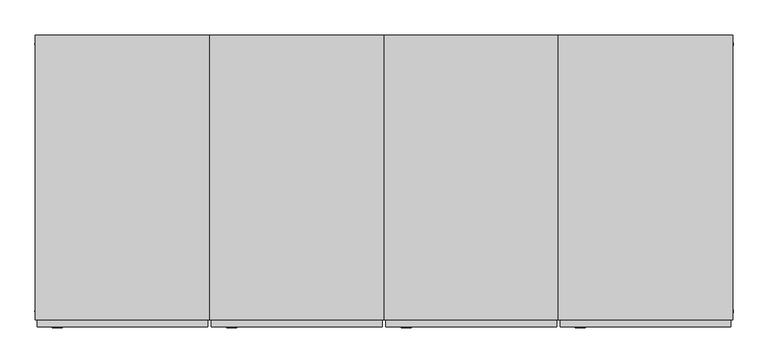
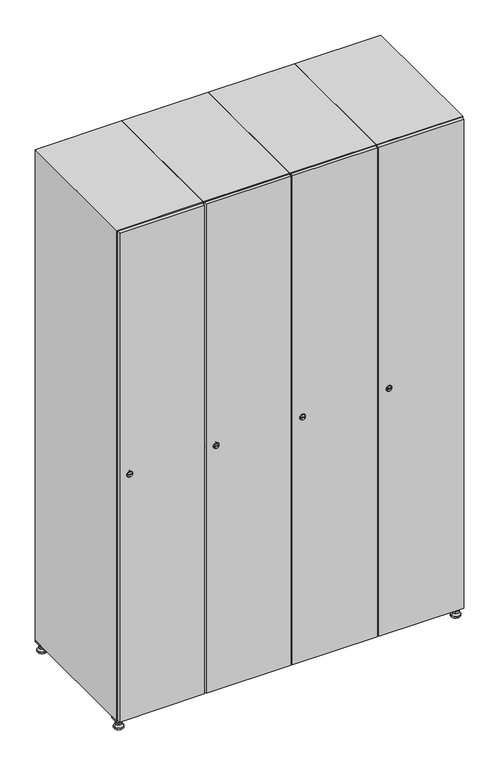
"""IFC4 building model written with IfcOpenShell, lengths in millimetres: furniture geometry."""

from ifc_helpers import new_model, si_unit, point, frame, frame_2d, origin, origin_with_axes, place, context, project, spatial, polyline, circle_curve, trimmed, segment, composite_curve, outline, extrude, faceted_brep, source, transform, mapped, element, save
from ifc_brep_helpers import plane_surface, revolved_surface, advanced_brep


def furniture_816aae50(model_context):
    return source(origin(), model_context, "Body", "SolidModel", [
        extrude(outline(polyline([(1000.0, 245.0), (1000.0, 215.0), (970.0, 215.0), (970.0, 245.0), (1000.0, 245.0)]), holes=[polyline([(998.0, 243.0), (972.0, 243.0), (972.0, 217.0), (998.0, 217.0), (998.0, 243.0)])]), frame((0.0, 0.0, 28.5), z_axis=(0.0, 0.0, 1.0), x_axis=(1.0, 0.0, 0.0)), (0.0, 0.0, 1.0), 6.5),
        extrude(outline(polyline([(970.0, -245.0), (970.0, -215.0), (1000.0, -215.0), (1000.0, -245.0), (970.0, -245.0)]), holes=[polyline([(972.0, -243.0), (998.0, -243.0), (998.0, -217.0), (972.0, -217.0), (972.0, -243.0)])]), frame((0.0, 0.0, 28.5), z_axis=(0.0, 0.0, 1.0), x_axis=(1.0, 0.0, 0.0)), (0.0, 0.0, 1.0), 6.5),
        extrude(outline(polyline([(-170.0, 245.0), (-170.0, 215.0), (-200.0, 215.0), (-200.0, 245.0), (-170.0, 245.0)]), holes=[polyline([(-172.0, 243.0), (-198.0, 243.0), (-198.0, 217.0), (-172.0, 217.0), (-172.0, 243.0)])]), frame((0.0, 0.0, 28.5), z_axis=(0.0, 0.0, 1.0), x_axis=(1.0, 0.0, 0.0)), (0.0, 0.0, 1.0), 6.5),
        extrude(outline(polyline([(-170.0, -215.0), (-170.0, -245.0), (-200.0, -245.0), (-200.0, -215.0), (-170.0, -215.0)]), holes=[polyline([(-198.0, -243.0), (-172.0, -243.0), (-172.0, -217.0), (-198.0, -217.0), (-198.0, -243.0)])]), frame((0.0, 0.0, 28.5), z_axis=(0.0, 0.0, 1.0), x_axis=(1.0, 0.0, 0.0)), (0.0, 0.0, 1.0), 6.5),
        extrude(outline(composite_curve([segment(trimmed(circle_curve(frame_2d((-185.0, 230.0)), 5.0), [point((-180.0, 230.0))], [point((-190.0, 230.0))], False, "CARTESIAN"), True, "CONTINUOUS"), segment(trimmed(circle_curve(frame_2d((-185.0, 230.0)), 5.0), [point((-190.0, 230.0))], [point((-180.0, 230.0))], False, "CARTESIAN"), True, "CONTINUOUS")], self_intersect=False)), frame((0.0, 0.0, 19.6), z_axis=(0.0, 0.0, 1.0), x_axis=(1.0, 0.0, 0.0)), (0.0, 0.0, 1.0), 15.4),
        extrude(outline(composite_curve([segment(trimmed(circle_curve(frame_2d((-185.0, -230.0)), 5.0), [point((-180.0, -230.0))], [point((-190.0, -230.0))], False, "CARTESIAN"), True, "CONTINUOUS"), segment(trimmed(circle_curve(frame_2d((-185.0, -230.0)), 5.0), [point((-190.0, -230.0))], [point((-180.0, -230.0))], False, "CARTESIAN"), True, "CONTINUOUS")], self_intersect=False)), frame((0.0, 0.0, 19.6), z_axis=(0.0, 0.0, 1.0), x_axis=(1.0, 0.0, 0.0)), (0.0, 0.0, 1.0), 15.4),
        extrude(outline(composite_curve([segment(trimmed(circle_curve(frame_2d((985.0, 230.0)), 5.0), [point((990.0, 230.0))], [point((980.0, 230.0))], False, "CARTESIAN"), True, "CONTINUOUS"), segment(trimmed(circle_curve(frame_2d((985.0, 230.0)), 5.0), [point((980.0, 230.0))], [point((990.0, 230.0))], False, "CARTESIAN"), True, "CONTINUOUS")], self_intersect=False)), frame((0.0, 0.0, 19.6), z_axis=(0.0, 0.0, 1.0), x_axis=(1.0, 0.0, 0.0)), (0.0, 0.0, 1.0), 15.4),
        extrude(outline(polyline([(973.4529946, 230.0), (979.2264973, 240.0), (990.7735027, 240.0), (996.5470054, 230.0), (990.7735027, 220.0), (979.2264973, 220.0), (973.4529946, 230.0)])), frame((0.0, 0.0, 13.6), z_axis=(0.0, 0.0, 1.0), x_axis=(1.0, 0.0, 0.0)), (0.0, 0.0, 1.0), 6.0),
        extrude(outline(composite_curve([segment(trimmed(circle_curve(frame_2d((985.0, -230.0)), 5.0), [point((990.0, -230.0))], [point((980.0, -230.0))], False, "CARTESIAN"), True, "CONTINUOUS"), segment(trimmed(circle_curve(frame_2d((985.0, -230.0)), 5.0), [point((980.0, -230.0))], [point((990.0, -230.0))], False, "CARTESIAN"), True, "CONTINUOUS")], self_intersect=False)), frame((0.0, 0.0, 19.6), z_axis=(0.0, 0.0, 1.0), x_axis=(1.0, 0.0, 0.0)), (0.0, 0.0, 1.0), 15.4),
        extrude(outline(polyline([(973.4529946, -230.0), (979.2264973, -220.0), (990.7735027, -220.0), (996.5470054, -230.0), (990.7735027, -240.0), (979.2264973, -240.0), (973.4529946, -230.0)])), frame((0.0, 0.0, 13.6), z_axis=(0.0, 0.0, 1.0), x_axis=(1.0, 0.0, 0.0)), (0.0, 0.0, 1.0), 6.0),
        extrude(outline(composite_curve([segment(trimmed(circle_curve(frame_2d((985.0, 230.0)), 5.0), [point((990.0, 230.0))], [point((980.0, 230.0))], False, "CARTESIAN"), True, "CONTINUOUS"), segment(trimmed(circle_curve(frame_2d((985.0, 230.0)), 5.0), [point((980.0, 230.0))], [point((990.0, 230.0))], False, "CARTESIAN"), True, "CONTINUOUS")], self_intersect=False)), frame((0.0, 0.0, 12.1), z_axis=(0.0, 0.0, 1.0), x_axis=(1.0, 0.0, 0.0)), (0.0, 0.0, 1.0), 1.5),
        extrude(outline(composite_curve([segment(trimmed(circle_curve(frame_2d((985.0, -230.0)), 5.0), [point((990.0, -230.0))], [point((980.0, -230.0))], False, "CARTESIAN"), True, "CONTINUOUS"), segment(trimmed(circle_curve(frame_2d((985.0, -230.0)), 5.0), [point((980.0, -230.0))], [point((990.0, -230.0))], False, "CARTESIAN"), True, "CONTINUOUS")], self_intersect=False)), frame((0.0, 0.0, 12.1), z_axis=(0.0, 0.0, 1.0), x_axis=(1.0, 0.0, 0.0)), (0.0, 0.0, 1.0), 1.5),
        extrude(outline(polyline([(-196.5470054, 230.0), (-190.7735027, 240.0), (-179.2264973, 240.0), (-173.4529946, 230.0), (-179.2264973, 220.0), (-190.7735027, 220.0), (-196.5470054, 230.0)])), frame((0.0, 0.0, 13.6), z_axis=(0.0, 0.0, 1.0), x_axis=(1.0, 0.0, 0.0)), (0.0, 0.0, 1.0), 6.0),
        extrude(outline(polyline([(-196.5470054, -230.0), (-190.7735027, -220.0), (-179.2264973, -220.0), (-173.4529946, -230.0), (-179.2264973, -240.0), (-190.7735027, -240.0), (-196.5470054, -230.0)])), frame((0.0, 0.0, 13.6), z_axis=(0.0, 0.0, 1.0), x_axis=(1.0, 0.0, 0.0)), (0.0, 0.0, 1.0), 6.0),
        extrude(outline(composite_curve([segment(trimmed(circle_curve(frame_2d((-185.0, 230.0)), 5.0), [point((-185.0, 235.0))], [point((-185.0, 225.0))], False, "CARTESIAN"), True, "CONTINUOUS"), segment(trimmed(circle_curve(frame_2d((-185.0, 230.0)), 5.0), [point((-185.0, 225.0))], [point((-185.0, 235.0))], False, "CARTESIAN"), True, "CONTINUOUS")], self_intersect=False)), frame((0.0, 0.0, 12.1), z_axis=(0.0, 0.0, 1.0), x_axis=(1.0, 0.0, 0.0)), (0.0, 0.0, 1.0), 1.5),
        extrude(outline(composite_curve([segment(trimmed(circle_curve(frame_2d((-185.0, -230.0)), 5.0), [point((-180.0, -230.0))], [point((-190.0, -230.0))], False, "CARTESIAN"), True, "CONTINUOUS"), segment(trimmed(circle_curve(frame_2d((-185.0, -230.0)), 5.0), [point((-190.0, -230.0))], [point((-180.0, -230.0))], False, "CARTESIAN"), True, "CONTINUOUS")], self_intersect=False)), frame((0.0, 0.0, 12.1), z_axis=(0.0, 0.0, 1.0), x_axis=(1.0, 0.0, 0.0)), (0.0, 0.0, 1.0), 1.5),
        extrude(outline(composite_curve([segment(trimmed(circle_curve(frame_2d((985.0, 230.0)), 15.75), [point((1000.75, 230.0))], [point((969.25, 230.0))], False, "CARTESIAN"), True, "CONTINUOUS"), segment(trimmed(circle_curve(frame_2d((985.0, 230.0)), 15.75), [point((969.25, 230.0))], [point((1000.75, 230.0))], False, "CARTESIAN"), True, "CONTINUOUS")], self_intersect=False)), origin_with_axes(), (0.0, 0.0, 1.0), 5.1),
        extrude(outline(composite_curve([segment(trimmed(circle_curve(frame_2d((985.0, -230.0)), 15.75), [point((985.0, -214.25))], [point((985.0, -245.75))], False, "CARTESIAN"), True, "CONTINUOUS"), segment(trimmed(circle_curve(frame_2d((985.0, -230.0)), 15.75), [point((985.0, -245.75))], [point((985.0, -214.25))], False, "CARTESIAN"), True, "CONTINUOUS")], self_intersect=False)), origin_with_axes(), (0.0, 0.0, 1.0), 5.1),
        extrude(outline(composite_curve([segment(trimmed(circle_curve(frame_2d((-185.0, -230.0)), 15.75), [point((-169.25, -230.0))], [point((-200.75, -230.0))], False, "CARTESIAN"), True, "CONTINUOUS"), segment(trimmed(circle_curve(frame_2d((-185.0, -230.0)), 15.75), [point((-200.75, -230.0))], [point((-169.25, -230.0))], False, "CARTESIAN"), True, "CONTINUOUS")], self_intersect=False)), origin_with_axes(), (0.0, 0.0, 1.0), 5.1),
        extrude(outline(composite_curve([segment(trimmed(circle_curve(frame_2d((-185.0, 230.0)), 15.75), [point((-169.25, 230.0))], [point((-200.75, 230.0))], False, "CARTESIAN"), True, "CONTINUOUS"), segment(trimmed(circle_curve(frame_2d((-185.0, 230.0)), 15.75), [point((-200.75, 230.0))], [point((-169.25, 230.0))], False, "CARTESIAN"), True, "CONTINUOUS")], self_intersect=False)), origin_with_axes(), (0.0, 0.0, 1.0), 5.1),
        advanced_brep(
        [(-185.0, 239.5, 12.1), (-185.0, 220.5, 12.1), (-185.0, 214.25, 5.1), (-185.0, 245.75, 5.1)],
        [
            (0, 1, circle_curve(frame((-185.0, 230.0, 12.1), z_axis=(0.0, 0.0, -1.0), x_axis=(0.0, 1.0, 0.0)), 9.5)),
            (1, 2),
            (2, 3, circle_curve(frame((-185.0, 230.0, 5.1), z_axis=(0.0, 0.0, 1.0), x_axis=(0.0, 1.0, 0.0)), 15.75)),
            (3, 0),
            (1, 0, circle_curve(frame((-185.0, 230.0, 12.1), z_axis=(0.0, 0.0, -1.0), x_axis=(0.0, -1.0, 0.0)), 9.5)),
            (3, 2, circle_curve(frame((-185.0, 230.0, 5.1), z_axis=(0.0, 0.0, 1.0), x_axis=(0.0, -1.0, 0.0)), 15.75)),
        ],
        [
            revolved_surface(polyline([(-185.0, 220.5, 12.099999999999998), (-185.0, 214.25, 5.099999999999998)]), (-185.0, 230.0, 22.74), (0.0, 0.0, -1.0)),
            revolved_surface(polyline([(-185.0, 239.5, 12.099999999999998), (-185.0, 245.75, 5.099999999999998)]), (-185.0, 230.0, 22.74), (0.0, 0.0, -1.0)),
            plane_surface(frame((-185.0, 230.0, 5.1), z_axis=(0.0, 0.0, -1.0), x_axis=(1.0, 0.0, 0.0))),
            plane_surface(frame((-185.0, 230.0, 12.1), z_axis=(0.0, 0.0, 1.0), x_axis=(1.0, 0.0, 0.0))),
        ],
        [
            (0, [[1, 2, 3, 4]]),
            (1, [[5, -4, 6, -2]]),
            (2, [[-3, -6]]),
            (3, [[-5, -1]]),
        ],
    ),
        advanced_brep(
        [(985.0, 239.5, 12.1), (985.0, 220.5, 12.1), (985.0, 214.25, 5.1), (985.0, 245.75, 5.1)],
        [
            (0, 1, circle_curve(frame((985.0, 230.0, 12.1), z_axis=(0.0, 0.0, -1.0), x_axis=(0.0, 1.0, 0.0)), 9.5)),
            (1, 2),
            (2, 3, circle_curve(frame((985.0, 230.0, 5.1), z_axis=(0.0, 0.0, 1.0), x_axis=(0.0, 1.0, 0.0)), 15.75)),
            (3, 0),
            (1, 0, circle_curve(frame((985.0, 230.0, 12.1), z_axis=(0.0, 0.0, -1.0), x_axis=(0.0, -1.0, 0.0)), 9.5)),
            (3, 2, circle_curve(frame((985.0, 230.0, 5.1), z_axis=(0.0, 0.0, 1.0), x_axis=(0.0, -1.0, 0.0)), 15.75)),
        ],
        [
            revolved_surface(polyline([(985.0, 220.5, 12.099999999999998), (985.0, 214.25, 5.099999999999998)]), (985.0, 230.0, 22.74), (0.0, 0.0, -1.0)),
            revolved_surface(polyline([(985.0, 239.5, 12.099999999999998), (985.0, 245.75, 5.099999999999998)]), (985.0, 230.0, 22.74), (0.0, 0.0, -1.0)),
            plane_surface(frame((985.0, 230.0, 5.1), z_axis=(0.0, 0.0, -1.0), x_axis=(1.0, 0.0, 0.0))),
            plane_surface(frame((985.0, 230.0, 12.1), z_axis=(0.0, 0.0, 1.0), x_axis=(1.0, 0.0, 0.0))),
        ],
        [
            (0, [[1, 2, 3, 4]]),
            (1, [[5, -4, 6, -2]]),
            (2, [[-3, -6]]),
            (3, [[-5, -1]]),
        ],
    ),
        advanced_brep(
        [(1000.75, -230.0, 5.1), (969.25, -230.0, 5.1), (975.5, -230.0, 12.1), (994.5, -230.0, 12.1)],
        [
            (0, 1, circle_curve(frame((985.0, -230.0, 5.1), z_axis=(0.0, 0.0, 1.0), x_axis=(1.0, 0.0, 0.0)), 15.75)),
            (1, 2),
            (2, 3, circle_curve(frame((985.0, -230.0, 12.1), z_axis=(0.0, 0.0, -1.0), x_axis=(1.0, 0.0, 0.0)), 9.5)),
            (3, 0),
            (1, 0, circle_curve(frame((985.0, -230.0, 5.1), z_axis=(0.0, 0.0, 1.0), x_axis=(-1.0, 0.0, 0.0)), 15.75)),
            (3, 2, circle_curve(frame((985.0, -230.0, 12.1), z_axis=(0.0, 0.0, -1.0), x_axis=(-1.0, 0.0, 0.0)), 9.5)),
        ],
        [
            revolved_surface(polyline([(994.5, -230.0, 12.099999999999998), (1000.75, -230.0, 5.099999999999998)]), (985.0, -230.0, 22.74), (0.0, 0.0, -1.0)),
            revolved_surface(polyline([(975.5, -230.0, 12.099999999999998), (969.25, -230.0, 5.099999999999998)]), (985.0, -230.0, 22.74), (0.0, 0.0, -1.0)),
            plane_surface(frame((985.0, -230.0, 12.1), z_axis=(0.0, 0.0, 1.0), x_axis=(0.0, 1.0, 0.0))),
            plane_surface(frame((985.0, -230.0, 5.1), z_axis=(0.0, 0.0, -1.0), x_axis=(0.0, 1.0, 0.0))),
        ],
        [
            (0, [[1, 2, 3, 4]]),
            (1, [[5, -4, 6, -2]]),
            (2, [[-3, -6]]),
            (3, [[-5, -1]]),
        ],
    ),
        advanced_brep(
        [(-169.25, -230.0, 5.1), (-200.75, -230.0, 5.1), (-194.5, -230.0, 12.1), (-175.5, -230.0, 12.1)],
        [
            (0, 1, circle_curve(frame((-185.0, -230.0, 5.1), z_axis=(0.0, 0.0, 1.0), x_axis=(1.0, 0.0, 0.0)), 15.75)),
            (1, 2),
            (2, 3, circle_curve(frame((-185.0, -230.0, 12.1), z_axis=(0.0, 0.0, -1.0), x_axis=(1.0, 0.0, 0.0)), 9.5)),
            (3, 0),
            (1, 0, circle_curve(frame((-185.0, -230.0, 5.1), z_axis=(0.0, 0.0, 1.0), x_axis=(-1.0, 0.0, 0.0)), 15.75)),
            (3, 2, circle_curve(frame((-185.0, -230.0, 12.1), z_axis=(0.0, 0.0, -1.0), x_axis=(-1.0, 0.0, 0.0)), 9.5)),
        ],
        [
            revolved_surface(polyline([(-175.5, -230.0, 12.099999999999998), (-169.25, -230.0, 5.099999999999998)]), (-185.0, -230.0, 22.74), (0.0, 0.0, -1.0)),
            revolved_surface(polyline([(-194.5, -230.0, 12.099999999999998), (-200.75, -230.0, 5.099999999999998)]), (-185.0, -230.0, 22.74), (0.0, 0.0, -1.0)),
            plane_surface(frame((-185.0, -230.0, 12.1), z_axis=(0.0, 0.0, 1.0), x_axis=(0.0, 1.0, 0.0))),
            plane_surface(frame((-185.0, -230.0, 5.1), z_axis=(0.0, 0.0, -1.0), x_axis=(0.0, 1.0, 0.0))),
        ],
        [
            (0, [[1, 2, 3, 4]]),
            (1, [[5, -4, 6, -2]]),
            (2, [[-3, -6]]),
            (3, [[-5, -1]]),
        ],
    ),
        extrude(outline(composite_curve([segment(trimmed(circle_curve(frame_2d((935.0, 711.2010534)), 7.0), [point((942.0, 711.2010534))], [point((928.0, 711.2010534))], False, "CARTESIAN"), True, "CONTINUOUS"), segment(polyline([(928.0, 711.2010534), (928.0, 739.2010534)]), True, "CONTINUOUS"), segment(trimmed(circle_curve(frame_2d((935.0, 739.2010534)), 7.0), [point((928.0, 739.2010534))], [point((942.0, 739.2010534))], False, "CARTESIAN"), True, "CONTINUOUS"), segment(polyline([(942.0, 739.2010534), (942.0, 711.2010534)]), True, "CONTINUOUS")], self_intersect=False)), frame((0.0, -245.0, 0.0), z_axis=(0.0, 1.0, 0.0), x_axis=(0.0, 0.0, 1.0)), (0.0, 0.0, 1.0), 2.0),
        advanced_brep(
        [(746.5, -259.2, 935.0), (729.5, -259.2, 935.0), (733.0, -259.2, 933.75), (733.0, -259.2, 936.25), (743.0, -259.2, 936.25), (743.0, -259.2, 933.75), (748.5, -257.0, 935.0), (727.5, -257.0, 935.0), (733.0, -257.0, 936.25), (733.0, -257.0, 933.75), (743.0, -257.0, 933.75), (743.0, -257.0, 936.25)],
        [
            (0, 1, circle_curve(frame((738.0, -259.2, 935.0), z_axis=(0.0, -1.0, 0.0), x_axis=(1.0, 0.0, 0.0)), 8.5)),
            (1, 0, circle_curve(frame((738.0, -259.2, 935.0), z_axis=(0.0, -1.0, 0.0), x_axis=(-1.0, 0.0, 0.0)), 8.5)),
            (2, 3),
            (3, 4),
            (4, 5),
            (5, 2),
            (6, 7, circle_curve(frame((738.0, -257.0, 935.0), z_axis=(0.0, 1.0, 0.0), x_axis=(-1.0, 0.0, 0.0)), 10.5)),
            (7, 6, circle_curve(frame((738.0, -257.0, 935.0), z_axis=(0.0, 1.0, 0.0), x_axis=(1.0, 0.0, 0.0)), 10.5)),
            (8, 9),
            (9, 10),
            (10, 11),
            (11, 8),
            (0, 6),
            (7, 1),
            (8, 3),
            (2, 9),
            (11, 4),
            (10, 5),
        ],
        [
            plane_surface(frame((738.0, -259.2, 935.0), z_axis=(0.0, -1.0, 0.0), x_axis=(0.0, 0.0, 1.0))),
            plane_surface(frame((738.0, -257.0, 935.0), z_axis=(0.0, 1.0, 0.0), x_axis=(0.0, 0.0, 1.0))),
            revolved_surface(polyline([(746.5, -259.2, 935.0), (748.5, -257.0, 935.0)]), (738.0, -268.55, 935.0), (0.0, 1.0, 0.0)),
            revolved_surface(polyline([(729.5, -259.2, 935.0), (727.5, -257.0, 935.0)]), (738.0, -268.55, 935.0), (0.0, 1.0, 0.0)),
            plane_surface(frame((733.0, -257.0, 933.75), z_axis=(1.0, 0.0, 0.0), x_axis=(0.0, -1.0, 0.0))),
            plane_surface(frame((733.0, -257.0, 936.25), z_axis=(0.0, 0.0, -1.0), x_axis=(0.0, -1.0, 0.0))),
            plane_surface(frame((743.0, -257.0, 936.25), z_axis=(-1.0, 0.0, 0.0), x_axis=(0.0, -1.0, 0.0))),
            plane_surface(frame((743.0, -257.0, 933.75), z_axis=(0.0, 0.0, 1.0), x_axis=(0.0, -1.0, 0.0))),
        ],
        [
            (0, [[1, 2], [3, 4, 5, 6]]),
            (1, [[7, 8], [9, 10, 11, 12]]),
            (2, [[-1, 13, -8, 14]]),
            (3, [[-2, -14, -7, -13]]),
            (4, [[15, -3, 16, -9]]),
            (5, [[-15, -12, 17, -4]]),
            (6, [[-17, -11, 18, -5]]),
            (7, [[-16, -6, -18, -10]]),
        ],
    ),
        extrude(outline(polyline([(997.0, -245.0), (997.0, -257.0), (703.0, -257.0), (703.0, -245.0), (997.0, -245.0)])), frame((0.0, 0.0, 38.0), z_axis=(0.0, 0.0, 1.0), x_axis=(1.0, 0.0, 0.0)), (0.0, 0.0, 1.0), 1794.0),
        faceted_brep([(1000.0, -245.0, 35.0), (1000.0, -245.0, 1835.0), (700.0, -245.0, 1835.0), (700.0, -245.0, 35.0), (979.6, -245.0, 1804.8), (979.6, -245.0, 65.2), (720.4, -245.0, 65.2), (720.4, -245.0, 1804.8), (1000.0, 245.0, 35.0), (700.0, 245.0, 35.0), (1000.0, 245.0, 1835.0), (700.0, 245.0, 1835.0), (979.6, 242.0, 1804.8), (979.6, 242.0, 65.2), (700.0, 245.0, 1804.8), (720.4, 242.0, 1804.8), (720.4, 242.0, 65.2)], [[[0, 1, 2, 3], [4, 5, 6, 7]], [[8, 0, 3, 9]], [[1, 0, 8, 10]], [[1, 10, 11, 2]], [[4, 12, 13, 5]], [[9, 3, 2, 11, 14]], [[10, 8, 9, 14, 11]], [[12, 15, 16, 13]], [[15, 7, 6, 16]], [[4, 7, 15, 12]], [[6, 5, 13, 16]]]),
        extrude(outline(composite_curve([segment(trimmed(circle_curve(frame_2d((935.0, 411.2010534)), 7.0), [point((942.0, 411.2010534))], [point((928.0, 411.2010534))], False, "CARTESIAN"), True, "CONTINUOUS"), segment(polyline([(928.0, 411.2010534), (928.0, 439.2010534)]), True, "CONTINUOUS"), segment(trimmed(circle_curve(frame_2d((935.0, 439.2010534)), 7.0), [point((928.0, 439.2010534))], [point((942.0, 439.2010534))], False, "CARTESIAN"), True, "CONTINUOUS"), segment(polyline([(942.0, 439.2010534), (942.0, 411.2010534)]), True, "CONTINUOUS")], self_intersect=False)), frame((0.0, -245.0, 0.0), z_axis=(0.0, 1.0, 0.0), x_axis=(0.0, 0.0, 1.0)), (0.0, 0.0, 1.0), 2.0),
        advanced_brep(
        [(446.5, -259.2, 935.0), (429.5, -259.2, 935.0), (433.0, -259.2, 933.75), (433.0, -259.2, 936.25), (443.0, -259.2, 936.25), (443.0, -259.2, 933.75), (448.5, -257.0, 935.0), (427.5, -257.0, 935.0), (433.0, -257.0, 936.25), (433.0, -257.0, 933.75), (443.0, -257.0, 933.75), (443.0, -257.0, 936.25)],
        [
            (0, 1, circle_curve(frame((438.0, -259.2, 935.0), z_axis=(0.0, -1.0, 0.0), x_axis=(1.0, 0.0, 0.0)), 8.5)),
            (1, 0, circle_curve(frame((438.0, -259.2, 935.0), z_axis=(0.0, -1.0, 0.0), x_axis=(-1.0, 0.0, 0.0)), 8.5)),
            (2, 3),
            (3, 4),
            (4, 5),
            (5, 2),
            (6, 7, circle_curve(frame((438.0, -257.0, 935.0), z_axis=(0.0, 1.0, 0.0), x_axis=(-1.0, 0.0, 0.0)), 10.5)),
            (7, 6, circle_curve(frame((438.0, -257.0, 935.0), z_axis=(0.0, 1.0, 0.0), x_axis=(1.0, 0.0, 0.0)), 10.5)),
            (8, 9),
            (9, 10),
            (10, 11),
            (11, 8),
            (0, 6),
            (7, 1),
            (8, 3),
            (2, 9),
            (11, 4),
            (10, 5),
        ],
        [
            plane_surface(frame((438.0, -259.2, 935.0), z_axis=(0.0, -1.0, 0.0), x_axis=(0.0, 0.0, 1.0))),
            plane_surface(frame((438.0, -257.0, 935.0), z_axis=(0.0, 1.0, 0.0), x_axis=(0.0, 0.0, 1.0))),
            revolved_surface(polyline([(446.5, -259.2, 935.0), (448.5, -257.0, 935.0)]), (438.0, -268.55, 935.0), (0.0, 1.0, 0.0)),
            revolved_surface(polyline([(429.5, -259.2, 935.0), (427.5, -257.0, 935.0)]), (438.0, -268.55, 935.0), (0.0, 1.0, 0.0)),
            plane_surface(frame((433.0, -257.0, 933.75), z_axis=(1.0, 0.0, 0.0), x_axis=(0.0, -1.0, 0.0))),
            plane_surface(frame((433.0, -257.0, 936.25), z_axis=(0.0, 0.0, -1.0), x_axis=(0.0, -1.0, 0.0))),
            plane_surface(frame((443.0, -257.0, 936.25), z_axis=(-1.0, 0.0, 0.0), x_axis=(0.0, -1.0, 0.0))),
            plane_surface(frame((443.0, -257.0, 933.75), z_axis=(0.0, 0.0, 1.0), x_axis=(0.0, -1.0, 0.0))),
        ],
        [
            (0, [[1, 2], [3, 4, 5, 6]]),
            (1, [[7, 8], [9, 10, 11, 12]]),
            (2, [[-1, 13, -8, 14]]),
            (3, [[-2, -14, -7, -13]]),
            (4, [[15, -3, 16, -9]]),
            (5, [[-15, -12, 17, -4]]),
            (6, [[-17, -11, 18, -5]]),
            (7, [[-16, -6, -18, -10]]),
        ],
    ),
        extrude(outline(polyline([(697.0, -245.0), (697.0, -257.0), (403.0, -257.0), (403.0, -245.0), (697.0, -245.0)])), frame((0.0, 0.0, 38.0), z_axis=(0.0, 0.0, 1.0), x_axis=(1.0, 0.0, 0.0)), (0.0, 0.0, 1.0), 1794.0),
        faceted_brep([(700.0, -245.0, 35.0), (700.0, -245.0, 1835.0), (400.0, -245.0, 1835.0), (400.0, -245.0, 35.0), (679.6, -245.0, 1804.8), (679.6, -245.0, 65.2), (420.4, -245.0, 65.2), (420.4, -245.0, 1804.8), (700.0, 245.0, 35.0), (400.0, 245.0, 35.0), (700.0, 245.0, 1835.0), (400.0, 245.0, 1835.0), (679.6, 242.0, 1804.8), (679.6, 242.0, 65.2), (400.0, 245.0, 1804.8), (420.4, 242.0, 1804.8), (420.4, 242.0, 65.2)], [[[0, 1, 2, 3], [4, 5, 6, 7]], [[8, 0, 3, 9]], [[1, 0, 8, 10]], [[1, 10, 11, 2]], [[4, 12, 13, 5]], [[9, 3, 2, 11, 14]], [[10, 8, 9, 14, 11]], [[12, 15, 16, 13]], [[15, 7, 6, 16]], [[4, 7, 15, 12]], [[6, 5, 13, 16]]]),
        extrude(outline(composite_curve([segment(trimmed(circle_curve(frame_2d((935.0, 111.2010534)), 7.0), [point((942.0, 111.2010534))], [point((928.0, 111.2010534))], False, "CARTESIAN"), True, "CONTINUOUS"), segment(polyline([(928.0, 111.2010534), (928.0, 139.2010534)]), True, "CONTINUOUS"), segment(trimmed(circle_curve(frame_2d((935.0, 139.2010534)), 7.0), [point((928.0, 139.2010534))], [point((942.0, 139.2010534))], False, "CARTESIAN"), True, "CONTINUOUS"), segment(polyline([(942.0, 139.2010534), (942.0, 111.2010534)]), True, "CONTINUOUS")], self_intersect=False)), frame((0.0, -245.0, 0.0), z_axis=(0.0, 1.0, 0.0), x_axis=(0.0, 0.0, 1.0)), (0.0, 0.0, 1.0), 2.0),
        advanced_brep(
        [(146.5, -259.2, 935.0), (129.5, -259.2, 935.0), (133.0, -259.2, 933.75), (133.0, -259.2, 936.25), (143.0, -259.2, 936.25), (143.0, -259.2, 933.75), (148.5, -257.0, 935.0), (127.5, -257.0, 935.0), (133.0, -257.0, 936.25), (133.0, -257.0, 933.75), (143.0, -257.0, 933.75), (143.0, -257.0, 936.25)],
        [
            (0, 1, circle_curve(frame((138.0, -259.2, 935.0), z_axis=(0.0, -1.0, 0.0), x_axis=(1.0, 0.0, 0.0)), 8.5)),
            (1, 0, circle_curve(frame((138.0, -259.2, 935.0), z_axis=(0.0, -1.0, 0.0), x_axis=(-1.0, 0.0, 0.0)), 8.5)),
            (2, 3),
            (3, 4),
            (4, 5),
            (5, 2),
            (6, 7, circle_curve(frame((138.0, -257.0, 935.0), z_axis=(0.0, 1.0, 0.0), x_axis=(-1.0, 0.0, 0.0)), 10.5)),
            (7, 6, circle_curve(frame((138.0, -257.0, 935.0), z_axis=(0.0, 1.0, 0.0), x_axis=(1.0, 0.0, 0.0)), 10.5)),
            (8, 9),
            (9, 10),
            (10, 11),
            (11, 8),
            (0, 6),
            (7, 1),
            (8, 3),
            (2, 9),
            (11, 4),
            (10, 5),
        ],
        [
            plane_surface(frame((138.0, -259.2, 935.0), z_axis=(0.0, -1.0, 0.0), x_axis=(0.0, 0.0, 1.0))),
            plane_surface(frame((138.0, -257.0, 935.0), z_axis=(0.0, 1.0, 0.0), x_axis=(0.0, 0.0, 1.0))),
            revolved_surface(polyline([(146.5, -259.2, 935.0), (148.5, -257.0, 935.0)]), (138.0, -268.55, 935.0), (0.0, 1.0, 0.0)),
            revolved_surface(polyline([(129.5, -259.2, 935.0), (127.5, -257.0, 935.0)]), (138.0, -268.55, 935.0), (0.0, 1.0, 0.0)),
            plane_surface(frame((133.0, -257.0, 933.75), z_axis=(1.0, 0.0, 0.0), x_axis=(0.0, -1.0, 0.0))),
            plane_surface(frame((133.0, -257.0, 936.25), z_axis=(0.0, 0.0, -1.0), x_axis=(0.0, -1.0, 0.0))),
            plane_surface(frame((143.0, -257.0, 936.25), z_axis=(-1.0, 0.0, 0.0), x_axis=(0.0, -1.0, 0.0))),
            plane_surface(frame((143.0, -257.0, 933.75), z_axis=(0.0, 0.0, 1.0), x_axis=(0.0, -1.0, 0.0))),
        ],
        [
            (0, [[1, 2], [3, 4, 5, 6]]),
            (1, [[7, 8], [9, 10, 11, 12]]),
            (2, [[-1, 13, -8, 14]]),
            (3, [[-2, -14, -7, -13]]),
            (4, [[15, -3, 16, -9]]),
            (5, [[-15, -12, 17, -4]]),
            (6, [[-17, -11, 18, -5]]),
            (7, [[-16, -6, -18, -10]]),
        ],
    ),
        extrude(outline(polyline([(397.0, -245.0), (397.0, -257.0), (103.0, -257.0), (103.0, -245.0), (397.0, -245.0)])), frame((0.0, 0.0, 38.0), z_axis=(0.0, 0.0, 1.0), x_axis=(1.0, 0.0, 0.0)), (0.0, 0.0, 1.0), 1794.0),
        faceted_brep([(400.0, -245.0, 35.0), (400.0, -245.0, 1835.0), (100.0, -245.0, 1835.0), (100.0, -245.0, 35.0), (379.6, -245.0, 1804.8), (379.6, -245.0, 65.2), (120.4, -245.0, 65.2), (120.4, -245.0, 1804.8), (400.0, 245.0, 35.0), (100.0, 245.0, 35.0), (400.0, 245.0, 1835.0), (100.0, 245.0, 1835.0), (379.6, 242.0, 1804.8), (379.6, 242.0, 65.2), (100.0, 245.0, 1804.8), (120.4, 242.0, 1804.8), (120.4, 242.0, 65.2)], [[[0, 1, 2, 3], [4, 5, 6, 7]], [[8, 0, 3, 9]], [[1, 0, 8, 10]], [[1, 10, 11, 2]], [[4, 12, 13, 5]], [[9, 3, 2, 11, 14]], [[10, 8, 9, 14, 11]], [[12, 15, 16, 13]], [[15, 7, 6, 16]], [[4, 7, 15, 12]], [[6, 5, 13, 16]]]),
        extrude(outline(composite_curve([segment(trimmed(circle_curve(frame_2d((935.0, -188.7989466)), 7.0), [point((942.0, -188.7989466))], [point((928.0, -188.7989466))], False, "CARTESIAN"), True, "CONTINUOUS"), segment(polyline([(928.0, -188.7989466), (928.0, -160.7989466)]), True, "CONTINUOUS"), segment(trimmed(circle_curve(frame_2d((935.0, -160.7989466)), 7.0), [point((928.0, -160.7989466))], [point((942.0, -160.7989466))], False, "CARTESIAN"), True, "CONTINUOUS"), segment(polyline([(942.0, -160.7989466), (942.0, -188.7989466)]), True, "CONTINUOUS")], self_intersect=False)), frame((0.0, -245.0, 0.0), z_axis=(0.0, 1.0, 0.0), x_axis=(0.0, 0.0, 1.0)), (0.0, 0.0, 1.0), 2.0),
        advanced_brep(
        [(-153.5, -259.2, 935.0), (-170.5, -259.2, 935.0), (-167.0, -259.2, 933.75), (-167.0, -259.2, 936.25), (-157.0, -259.2, 936.25), (-157.0, -259.2, 933.75), (-151.5, -257.0, 935.0), (-172.5, -257.0, 935.0), (-167.0, -257.0, 936.25), (-167.0, -257.0, 933.75), (-157.0, -257.0, 933.75), (-157.0, -257.0, 936.25)],
        [
            (0, 1, circle_curve(frame((-162.0, -259.2, 935.0), z_axis=(0.0, -1.0, 0.0), x_axis=(1.0, 0.0, 0.0)), 8.5)),
            (1, 0, circle_curve(frame((-162.0, -259.2, 935.0), z_axis=(0.0, -1.0, 0.0), x_axis=(-1.0, 0.0, 0.0)), 8.5)),
            (2, 3),
            (3, 4),
            (4, 5),
            (5, 2),
            (6, 7, circle_curve(frame((-162.0, -257.0, 935.0), z_axis=(0.0, 1.0, 0.0), x_axis=(-1.0, 0.0, 0.0)), 10.5)),
            (7, 6, circle_curve(frame((-162.0, -257.0, 935.0), z_axis=(0.0, 1.0, 0.0), x_axis=(1.0, 0.0, 0.0)), 10.5)),
            (8, 9),
            (9, 10),
            (10, 11),
            (11, 8),
            (0, 6),
            (7, 1),
            (8, 3),
            (2, 9),
            (11, 4),
            (10, 5),
        ],
        [
            plane_surface(frame((-162.0, -259.2, 935.0), z_axis=(0.0, -1.0, 0.0), x_axis=(0.0, 0.0, 1.0))),
            plane_surface(frame((-162.0, -257.0, 935.0), z_axis=(0.0, 1.0, 0.0), x_axis=(0.0, 0.0, 1.0))),
            revolved_surface(polyline([(-153.5, -259.2, 935.0), (-151.5, -257.0, 935.0)]), (-162.0, -268.55, 935.0), (0.0, 1.0, 0.0)),
            revolved_surface(polyline([(-170.5, -259.2, 935.0), (-172.5, -257.0, 935.0)]), (-162.0, -268.55, 935.0), (0.0, 1.0, 0.0)),
            plane_surface(frame((-167.0, -257.0, 933.75), z_axis=(1.0, 0.0, 0.0), x_axis=(0.0, -1.0, 0.0))),
            plane_surface(frame((-167.0, -257.0, 936.25), z_axis=(0.0, 0.0, -1.0), x_axis=(0.0, -1.0, 0.0))),
            plane_surface(frame((-157.0, -257.0, 936.25), z_axis=(-1.0, 0.0, 0.0), x_axis=(0.0, -1.0, 0.0))),
            plane_surface(frame((-157.0, -257.0, 933.75), z_axis=(0.0, 0.0, 1.0), x_axis=(0.0, -1.0, 0.0))),
        ],
        [
            (0, [[1, 2], [3, 4, 5, 6]]),
            (1, [[7, 8], [9, 10, 11, 12]]),
            (2, [[-1, 13, -8, 14]]),
            (3, [[-2, -14, -7, -13]]),
            (4, [[15, -3, 16, -9]]),
            (5, [[-15, -12, 17, -4]]),
            (6, [[-17, -11, 18, -5]]),
            (7, [[-16, -6, -18, -10]]),
        ],
    ),
        extrude(outline(polyline([(97.0, -245.0), (97.0, -257.0), (-197.0, -257.0), (-197.0, -245.0), (97.0, -245.0)])), frame((0.0, 0.0, 38.0), z_axis=(0.0, 0.0, 1.0), x_axis=(1.0, 0.0, 0.0)), (0.0, 0.0, 1.0), 1794.0),
        faceted_brep([(100.0, -245.0, 35.0), (100.0, -245.0, 1835.0), (-200.0, -245.0, 1835.0), (-200.0, -245.0, 35.0), (79.6, -245.0, 1804.8), (79.6, -245.0, 65.2), (-179.6, -245.0, 65.2), (-179.6, -245.0, 1804.8), (100.0, 245.0, 35.0), (-200.0, 245.0, 35.0), (100.0, 245.0, 1835.0), (-200.0, 245.0, 1835.0), (79.6, 242.0, 1804.8), (79.6, 242.0, 65.2), (-200.0, 245.0, 1804.8), (-179.6, 242.0, 1804.8), (-179.6, 242.0, 65.2)], [[[0, 1, 2, 3], [4, 5, 6, 7]], [[8, 0, 3, 9]], [[1, 0, 8, 10]], [[1, 10, 11, 2]], [[4, 12, 13, 5]], [[9, 3, 2, 11, 14]], [[10, 8, 9, 14, 11]], [[12, 15, 16, 13]], [[15, 7, 6, 16]], [[4, 7, 15, 12]], [[6, 5, 13, 16]]]),
    ])


if __name__ == "__main__":
    model = new_model("IFC4")
    model_context = context("Model", 3, world=origin())
    ifc_project = project(units=[si_unit("LENGTHUNIT", "METRE", prefix="MILLI")], contexts=[model_context])
    site = spatial("IfcSite", under=ifc_project)
    building = spatial("IfcBuilding", under=site)
    placement = place(None, origin())
    furniture_shape = furniture_816aae50(model_context)
    element("IfcFurniture", 1, at=placement, inside=building, context=model_context, shape_type="MappedRepresentation", body=[
        mapped(furniture_shape, transform((0.0, 0.0, 0.0), x_axis=(1.0, 0.0, 0.0), y_axis=(0.0, 1.0, 0.0), z_axis=(0.0, 0.0, 1.0))),
    ])
    save(model, "model.ifc")
